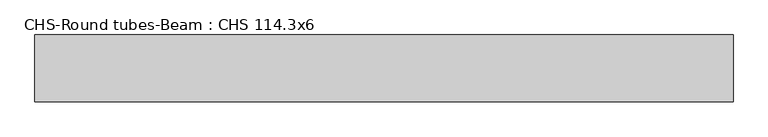
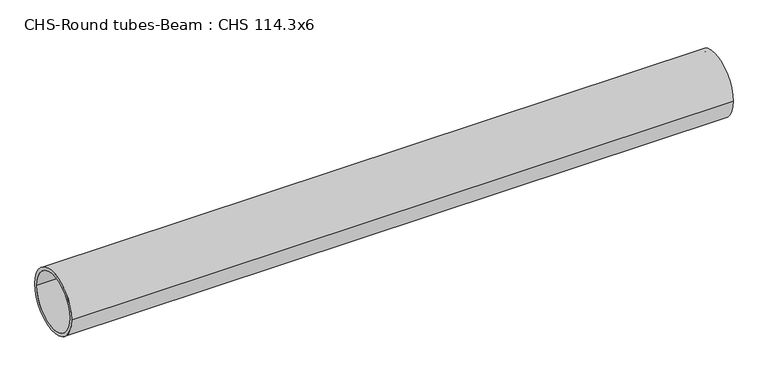
"""IFC4 building model written with IfcOpenShell, lengths in millimetres: beam geometry, CHS-Round tubes-Beam : CHS 114.3x6."""

from ifc_helpers import new_model, si_unit, point, frame, origin, origin_2d, place, context, project, spatial, circle_curve, trimmed, segment, composite_curve, outline, extrude, source, transform, mapped, element, save


def chs_round_tubes_beam_chs_114_3x6_86144ea1(model_context):
    return source(origin(), model_context, "Body", "SweptSolid", [
        extrude(outline(composite_curve([segment(trimmed(circle_curve(origin_2d(), 57.15), [point((57.15, 0.0))], [point((-57.15, 0.0))], False, "CARTESIAN"), True, "CONTINUOUS"), segment(trimmed(circle_curve(origin_2d(), 57.15), [point((-57.15, 0.0))], [point((57.15, 0.0))], False, "CARTESIAN"), True, "CONTINUOUS")], self_intersect=False), holes=[composite_curve([segment(trimmed(circle_curve(origin_2d(), 51.15), [point((51.15, 0.0))], [point((-51.15, 0.0))], True, "CARTESIAN"), True, "CONTINUOUS"), segment(trimmed(circle_curve(origin_2d(), 51.15), [point((-51.15, 0.0))], [point((51.15, 0.0))], True, "CARTESIAN"), True, "CONTINUOUS")], self_intersect=False)]), frame((-487.0600726, 0.0, 0.0), z_axis=(1.0, 0.0, 0.0), x_axis=(0.0, 1.0, 0.0)), (0.0, 0.0, 1.0), 1192.3834414),
    ])


if __name__ == "__main__":
    model = new_model("IFC4")
    model_context = context("Model", 3, world=origin())
    ifc_project = project(units=[si_unit("LENGTHUNIT", "METRE", prefix="MILLI")], contexts=[model_context])
    site = spatial("IfcSite", under=ifc_project)
    building = spatial("IfcBuilding", under=site)
    placement = place(None, origin())
    chs_round_tubes_beam_chs_114_3x6_shape = chs_round_tubes_beam_chs_114_3x6_86144ea1(model_context)
    element("IfcBeam", 1, ObjectType="CHS-Round tubes-Beam : CHS 114.3x6", at=placement, inside=building, context=model_context, shape_type="MappedRepresentation", body=[
        mapped(chs_round_tubes_beam_chs_114_3x6_shape, transform((0.0, 0.0, 0.0), x_axis=(1.0, 0.0, 0.0), y_axis=(0.0, 1.0, 0.0), z_axis=(0.0, 0.0, 1.0))),
    ])
    save(model, "model.ifc")
